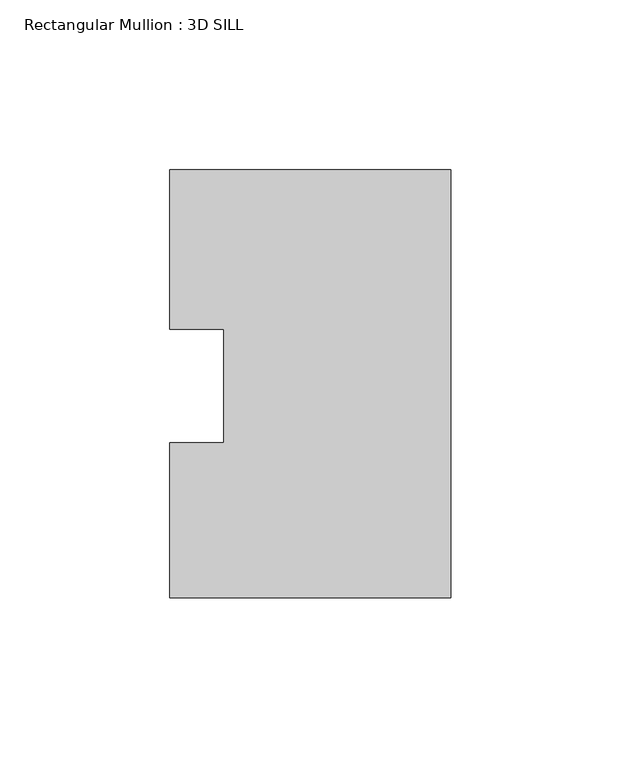
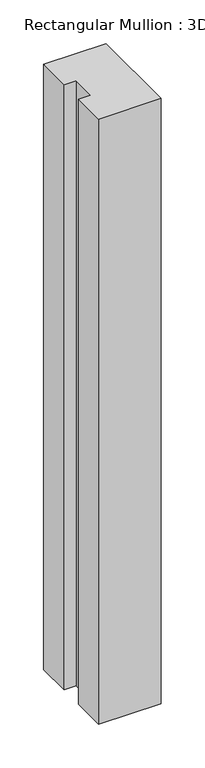
"""IFC4 building model written with IfcOpenShell, lengths in millimetres: member geometry, Rectangular Mullion : 3D SILL."""

import ifcopenshell
import ifcopenshell.guid

model = None  # the IFC model being written
_history = None  # IfcOwnerHistory: only IFC2X3 demands one
_inside = {}  # id of a spatial element -> (the spatial element, [elements in it])
_under = {}  # id of a project, library or spatial element -> (it, [spatial elements below it])
_declared = {}  # id of a project -> (the project, [libraries it declares])
_typed = {}  # id of a type object -> (the type object, [elements of that type])
_made_of = {}  # id of a material, layer set ... -> (it, [elements and type objects made of it])


def new_model(schema):
    """Start an empty IFC model of exactly this schema.

    Asked for "IFC4X3", IfcOpenShell would pick the latest addendum, in which some entities
    have other attributes; the version numbers below select the first issue.
    IFC2X3 requires an IfcOwnerHistory on every rooted entity: one is made here for all.
    """
    global model, _history
    if schema == "IFC4X3":
        model = ifcopenshell.file(schema_version=(4, 3, 0, 0))
    else:
        model = ifcopenshell.file(schema=schema)
    _inside.clear()
    _under.clear()
    _declared.clear()
    _typed.clear()
    _made_of.clear()
    _history = None
    if model.schema == "IFC2X3":
        org = make("IfcOrganization", Name="unknown")
        user = make(
            "IfcPersonAndOrganization",
            ThePerson=make("IfcPerson", FamilyName="unknown"),
            TheOrganization=org,
        )
        app = make(
            "IfcApplication",
            ApplicationDeveloper=org,
            Version="unknown",
            ApplicationFullName="unknown",
            ApplicationIdentifier="unknown",
        )
        _history = make(
            "IfcOwnerHistory",
            OwningUser=user,
            OwningApplication=app,
            ChangeAction="ADDED",
            CreationDate=0,
        )
    return model


def make(cls, **values):
    """One entity of the class cls with the attributes given. An attribute that is None is left unset."""
    return model.create_entity(
        cls, **{name: value for name, value in values.items() if value is not None}
    )


def rooted(cls, **values):
    """An entity with a GlobalId (a new one), such as an element, a storey or a relation."""
    return make(cls, GlobalId=ifcopenshell.guid.new(), OwnerHistory=_history, **values)


def si_unit(unit_type, name, prefix=None):
    """IfcSIUnit, for example si_unit("LENGTHUNIT", "METRE", prefix="MILLI")."""
    return make("IfcSIUnit", UnitType=unit_type, Prefix=prefix, Name=name)


def assignment(units):
    """IfcUnitAssignment: the units of a project."""
    return None if units is None else make("IfcUnitAssignment", Units=units)


def point(xyz):
    """IfcCartesianPoint."""
    return None if xyz is None else make("IfcCartesianPoint", Coordinates=xyz)


def direction(xyz):
    """IfcDirection."""
    return None if xyz is None else make("IfcDirection", DirectionRatios=xyz)


def frame(location, z_axis=None, x_axis=None):
    """IfcAxis2Placement3D, a coordinate frame: its origin and axes. An axis left out is left unset."""
    return make(
        "IfcAxis2Placement3D",
        Location=point(location),
        Axis=direction(z_axis),
        RefDirection=direction(x_axis),
    )


def origin():
    """The frame at (0, 0, 0) with its axes left unset."""
    return frame((0.0, 0.0, 0.0))


def place(relative_to, where):
    """IfcLocalPlacement: puts the frame where relative to a parent placement (None: the world)."""
    return make(
        "IfcLocalPlacement", PlacementRelTo=relative_to, RelativePlacement=where
    )


def context(
    kind, dimensions, precision=None, world=None, true_north=None, identifier=None
):
    """IfcGeometricRepresentationContext, for example the 3D "Model" context."""
    return make(
        "IfcGeometricRepresentationContext",
        ContextIdentifier=identifier,
        ContextType=kind,
        CoordinateSpaceDimension=dimensions,
        Precision=precision,
        WorldCoordinateSystem=world,
        TrueNorth=true_north,
    )


def project(units=None, contexts=None):
    """IfcProject with its units and contexts."""
    return rooted(
        "IfcProject",
        Name="project",
        RepresentationContexts=contexts,
        UnitsInContext=assignment(units),
    )


def spatial(cls, under=None, at=None, **own):
    """A site, building, storey or space (cls), placed at a placement, below another one or the project."""
    s = rooted(cls, ObjectPlacement=at, **own)
    if under is not None:
        _under.setdefault(under.id(), (under, []))[1].append(s)
    return s


def polyline(points):
    """IfcPolyline through the points."""
    return make("IfcPolyline", Points=[point(p) for p in points])


def outline(outer, holes=None, kind="AREA"):
    """IfcArbitraryClosedProfileDef: a profile drawn as a closed curve; with holes, ...WithVoids."""
    if holes is None:
        return make("IfcArbitraryClosedProfileDef", ProfileType=kind, OuterCurve=outer)
    return make(
        "IfcArbitraryProfileDefWithVoids",
        ProfileType=kind,
        OuterCurve=outer,
        InnerCurves=holes,
    )


def extrude(swept, where, along, depth):
    """IfcExtrudedAreaSolid: the profile swept, set in the frame where, extruded along a direction by depth."""
    return make(
        "IfcExtrudedAreaSolid",
        SweptArea=swept,
        Position=where,
        ExtrudedDirection=direction(along),
        Depth=depth,
    )


def shape(context_of_items, identifier, shape_type, items):
    """IfcShapeRepresentation: the items that make up one representation, for example the "Body"."""
    return make(
        "IfcShapeRepresentation",
        ContextOfItems=context_of_items,
        RepresentationIdentifier=identifier,
        RepresentationType=shape_type,
        Items=items,
    )


def source(mapping_origin, context_of_items, identifier, shape_type, items):
    """IfcRepresentationMap: a shape defined once, which mapped items show again and again."""
    return make(
        "IfcRepresentationMap",
        MappingOrigin=mapping_origin,
        MappedRepresentation=shape(context_of_items, identifier, shape_type, items),
    )


def transform(
    local_origin,
    x_axis=None,
    y_axis=None,
    z_axis=None,
    scale=None,
    scale2=None,
    scale3=None,
    uniform=True,
):
    """IfcCartesianTransformationOperator3D, or its non-uniform kind. x_axis, y_axis, z_axis: its Axis1, 2, 3."""
    if uniform:
        return make(
            "IfcCartesianTransformationOperator3D",
            Axis1=direction(x_axis),
            Axis2=direction(y_axis),
            LocalOrigin=point(local_origin),
            Scale=scale,
            Axis3=direction(z_axis),
        )
    return make(
        "IfcCartesianTransformationOperator3DnonUniform",
        Axis1=direction(x_axis),
        Axis2=direction(y_axis),
        LocalOrigin=point(local_origin),
        Scale=scale,
        Axis3=direction(z_axis),
        Scale2=scale2,
        Scale3=scale3,
    )


def mapped(mapping_source, mapping_target):
    """IfcMappedItem: shows the shape of a source again, moved by a transform."""
    return make(
        "IfcMappedItem", MappingSource=mapping_source, MappingTarget=mapping_target
    )


def made_of(thing, what):
    """Note that an element or type object is made of a material, layer set ...; save() writes the relation."""
    if what is not None:
        _made_of.setdefault(what.id(), (what, []))[1].append(thing)
    return thing


def element(
    cls,
    number,
    at=None,
    inside=None,
    cuts=None,
    type_object=None,
    material=None,
    context=None,
    identifier="Body",
    shape_type=None,
    held_by="IfcProductDefinitionShape",
    body=None,
    shapes=None,
    **own,
):
    """One element of the class cls, such as IfcWall. Its Tag is "e" and its number.

    at: its placement. inside: the storey or other place that contains it. cuts: it is an
    opening in that element (IfcRelVoidsElement). A single representation is given by context,
    identifier, shape_type and body (its items); several are given by shapes. held_by: the class
    of the entity that holds the representations. save() writes the other relations.
    """
    e = rooted(cls, Tag="e%d" % number, ObjectPlacement=at, **own)
    if body is not None:
        shapes = [shape(context, identifier, shape_type, body)]
    if shapes is not None:
        e.Representation = make(held_by, Representations=shapes)
    if inside is not None:
        _inside.setdefault(inside.id(), (inside, []))[1].append(e)
    if cuts is not None:
        rooted(
            "IfcRelVoidsElement", RelatingBuildingElement=cuts, RelatedOpeningElement=e
        )
    if type_object is not None:
        _typed.setdefault(type_object.id(), (type_object, []))[1].append(e)
    return made_of(e, material)


def aggregate(whole, parts):
    """IfcRelAggregates: a whole, such as a stair, and the parts it consists of."""
    return rooted("IfcRelAggregates", RelatingObject=whole, RelatedObjects=parts)


def save(model, path):
    """Write the relations noted so far, then the file.

    IfcRelAggregates (storeys below a building ...), IfcRelContainedInSpatialStructure (elements
    in a storey), IfcRelDefinesByType, IfcRelAssociatesMaterial and IfcRelDeclares: one each for
    every whole, place, type object, material and project.
    """
    for whole, parts in _under.values():
        aggregate(whole, parts)
    for where, things in _inside.values():
        rooted(
            "IfcRelContainedInSpatialStructure",
            RelatedElements=things,
            RelatingStructure=where,
        )
    for kind, things in _typed.values():
        rooted("IfcRelDefinesByType", RelatedObjects=things, RelatingType=kind)
    for what, things in _made_of.values():
        rooted("IfcRelAssociatesMaterial", RelatedObjects=things, RelatingMaterial=what)
    for by, libraries in _declared.values():
        rooted("IfcRelDeclares", RelatingContext=by, RelatedDefinitions=libraries)
    model.write(path)


def rectangular_mullion_3d_sill_04abf987(model_context):
    return source(origin(), model_context, "Body", "SweptSolid", [
        extrude(outline(polyline([(-82.5548917, 16.7234075), (-82.5548917, 63.5107262), (0.0, 63.5107262), (0.0, -62.2700738), (-82.5548917, -62.2700738), (-82.5548917, -16.7234075), (-66.6798917, -16.7234075), (-66.6798917, 16.7234075), (-82.5548917, 16.7234075)])), frame((0.0, 0.0, -844.4576836), z_axis=(0.0, 0.0, 1.0), x_axis=(1.0, 0.0, 0.0)), (0.0, 0.0, 1.0), 844.4576836),
    ])


if __name__ == "__main__":
    model = new_model("IFC4")
    model_context = context("Model", 3, world=origin())
    ifc_project = project(units=[si_unit("LENGTHUNIT", "METRE", prefix="MILLI")], contexts=[model_context])
    site = spatial("IfcSite", under=ifc_project)
    building = spatial("IfcBuilding", under=site)
    placement = place(None, origin())
    rectangular_mullion_3d_sill_shape = rectangular_mullion_3d_sill_04abf987(model_context)
    element("IfcMember", 1, ObjectType="Rectangular Mullion : 3D SILL", at=placement, inside=building, context=model_context, shape_type="MappedRepresentation", body=[
        mapped(rectangular_mullion_3d_sill_shape, transform((0.0, 0.0, 0.0), x_axis=(1.0, 0.0, 0.0), y_axis=(0.0, 1.0, 0.0), z_axis=(0.0, 0.0, 1.0))),
    ])
    save(model, "model.ifc")
